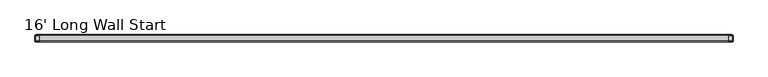
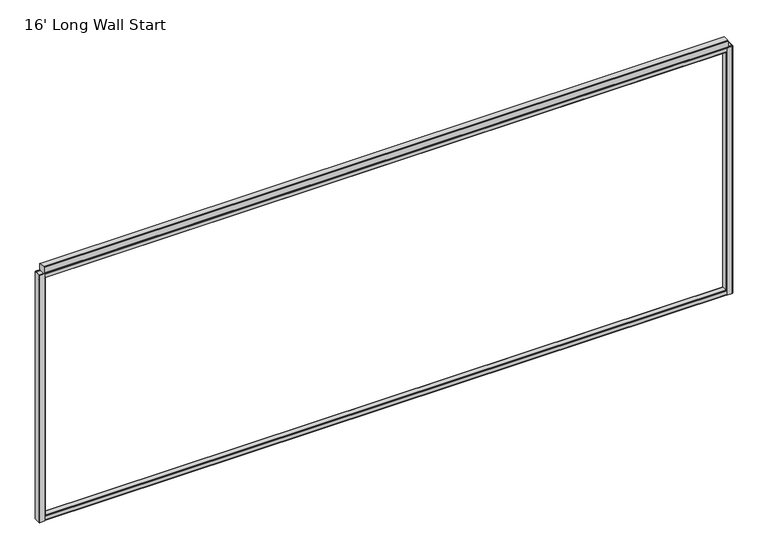
"""IFC4 building model written with IfcOpenShell, lengths in millimetres: furniture geometry, 16' Long Wall Start."""

import ifcopenshell
import ifcopenshell.guid

model = None  # the IFC model being written
_history = None  # IfcOwnerHistory: only IFC2X3 demands one
_inside = {}  # id of a spatial element -> (the spatial element, [elements in it])
_under = {}  # id of a project, library or spatial element -> (it, [spatial elements below it])
_declared = {}  # id of a project -> (the project, [libraries it declares])
_typed = {}  # id of a type object -> (the type object, [elements of that type])
_made_of = {}  # id of a material, layer set ... -> (it, [elements and type objects made of it])


def new_model(schema):
    """Start an empty IFC model of exactly this schema.

    Asked for "IFC4X3", IfcOpenShell would pick the latest addendum, in which some entities
    have other attributes; the version numbers below select the first issue.
    IFC2X3 requires an IfcOwnerHistory on every rooted entity: one is made here for all.
    """
    global model, _history
    if schema == "IFC4X3":
        model = ifcopenshell.file(schema_version=(4, 3, 0, 0))
    else:
        model = ifcopenshell.file(schema=schema)
    _inside.clear()
    _under.clear()
    _declared.clear()
    _typed.clear()
    _made_of.clear()
    _history = None
    if model.schema == "IFC2X3":
        org = make("IfcOrganization", Name="unknown")
        user = make(
            "IfcPersonAndOrganization",
            ThePerson=make("IfcPerson", FamilyName="unknown"),
            TheOrganization=org,
        )
        app = make(
            "IfcApplication",
            ApplicationDeveloper=org,
            Version="unknown",
            ApplicationFullName="unknown",
            ApplicationIdentifier="unknown",
        )
        _history = make(
            "IfcOwnerHistory",
            OwningUser=user,
            OwningApplication=app,
            ChangeAction="ADDED",
            CreationDate=0,
        )
    return model


def make(cls, **values):
    """One entity of the class cls with the attributes given. An attribute that is None is left unset."""
    return model.create_entity(
        cls, **{name: value for name, value in values.items() if value is not None}
    )


def rooted(cls, **values):
    """An entity with a GlobalId (a new one), such as an element, a storey or a relation."""
    return make(cls, GlobalId=ifcopenshell.guid.new(), OwnerHistory=_history, **values)


def si_unit(unit_type, name, prefix=None):
    """IfcSIUnit, for example si_unit("LENGTHUNIT", "METRE", prefix="MILLI")."""
    return make("IfcSIUnit", UnitType=unit_type, Prefix=prefix, Name=name)


def assignment(units):
    """IfcUnitAssignment: the units of a project."""
    return None if units is None else make("IfcUnitAssignment", Units=units)


def point(xyz):
    """IfcCartesianPoint."""
    return None if xyz is None else make("IfcCartesianPoint", Coordinates=xyz)


def direction(xyz):
    """IfcDirection."""
    return None if xyz is None else make("IfcDirection", DirectionRatios=xyz)


def frame(location, z_axis=None, x_axis=None):
    """IfcAxis2Placement3D, a coordinate frame: its origin and axes. An axis left out is left unset."""
    return make(
        "IfcAxis2Placement3D",
        Location=point(location),
        Axis=direction(z_axis),
        RefDirection=direction(x_axis),
    )


def origin():
    """The frame at (0, 0, 0) with its axes left unset."""
    return frame((0.0, 0.0, 0.0))


def place(relative_to, where):
    """IfcLocalPlacement: puts the frame where relative to a parent placement (None: the world)."""
    return make(
        "IfcLocalPlacement", PlacementRelTo=relative_to, RelativePlacement=where
    )


def context(
    kind, dimensions, precision=None, world=None, true_north=None, identifier=None
):
    """IfcGeometricRepresentationContext, for example the 3D "Model" context."""
    return make(
        "IfcGeometricRepresentationContext",
        ContextIdentifier=identifier,
        ContextType=kind,
        CoordinateSpaceDimension=dimensions,
        Precision=precision,
        WorldCoordinateSystem=world,
        TrueNorth=true_north,
    )


def project(units=None, contexts=None):
    """IfcProject with its units and contexts."""
    return rooted(
        "IfcProject",
        Name="project",
        RepresentationContexts=contexts,
        UnitsInContext=assignment(units),
    )


def spatial(cls, under=None, at=None, **own):
    """A site, building, storey or space (cls), placed at a placement, below another one or the project."""
    s = rooted(cls, ObjectPlacement=at, **own)
    if under is not None:
        _under.setdefault(under.id(), (under, []))[1].append(s)
    return s


def polyline(points):
    """IfcPolyline through the points."""
    return make("IfcPolyline", Points=[point(p) for p in points])


def outline(outer, holes=None, kind="AREA"):
    """IfcArbitraryClosedProfileDef: a profile drawn as a closed curve; with holes, ...WithVoids."""
    if holes is None:
        return make("IfcArbitraryClosedProfileDef", ProfileType=kind, OuterCurve=outer)
    return make(
        "IfcArbitraryProfileDefWithVoids",
        ProfileType=kind,
        OuterCurve=outer,
        InnerCurves=holes,
    )


def extrude(swept, where, along, depth):
    """IfcExtrudedAreaSolid: the profile swept, set in the frame where, extruded along a direction by depth."""
    return make(
        "IfcExtrudedAreaSolid",
        SweptArea=swept,
        Position=where,
        ExtrudedDirection=direction(along),
        Depth=depth,
    )


def faces_of(points, faces, orient=None, outer=None):
    """IfcFace entities. A face is a list of loops; a loop is a list of indices into points, from 0.

    orient and outer hold one flag for each loop. By default every Orientation is true, the
    first loop of a face is its IfcFaceOuterBound and the others are IfcFaceBound.
    """
    made = []
    for i, loops in enumerate(faces):
        bounds = []
        for j, loop in enumerate(loops):
            is_outer = j == 0 if outer is None else outer[i][j]
            bounds.append(
                make(
                    "IfcFaceOuterBound" if is_outer else "IfcFaceBound",
                    Bound=make("IfcPolyLoop", Polygon=[points[k] for k in loop]),
                    Orientation=True if orient is None else orient[i][j],
                )
            )
        made.append(make("IfcFace", Bounds=bounds))
    return made


def faceted_brep(points, faces, orient=None, outer=None, voids=None):
    """IfcFacetedBrep: a solid bounded by flat faces; with voids (closed shells), ...WithVoids."""
    shared = [point(p) for p in points]
    hull = make("IfcClosedShell", CfsFaces=faces_of(shared, faces, orient, outer))
    if voids is None:
        return make("IfcFacetedBrep", Outer=hull)
    return make(
        "IfcFacetedBrepWithVoids",
        Outer=hull,
        Voids=[
            make(cls, CfsFaces=faces_of(shared, fs, o, b)) for cls, fs, o, b in voids
        ],
    )


def shape(context_of_items, identifier, shape_type, items):
    """IfcShapeRepresentation: the items that make up one representation, for example the "Body"."""
    return make(
        "IfcShapeRepresentation",
        ContextOfItems=context_of_items,
        RepresentationIdentifier=identifier,
        RepresentationType=shape_type,
        Items=items,
    )


def source(mapping_origin, context_of_items, identifier, shape_type, items):
    """IfcRepresentationMap: a shape defined once, which mapped items show again and again."""
    return make(
        "IfcRepresentationMap",
        MappingOrigin=mapping_origin,
        MappedRepresentation=shape(context_of_items, identifier, shape_type, items),
    )


def transform(
    local_origin,
    x_axis=None,
    y_axis=None,
    z_axis=None,
    scale=None,
    scale2=None,
    scale3=None,
    uniform=True,
):
    """IfcCartesianTransformationOperator3D, or its non-uniform kind. x_axis, y_axis, z_axis: its Axis1, 2, 3."""
    if uniform:
        return make(
            "IfcCartesianTransformationOperator3D",
            Axis1=direction(x_axis),
            Axis2=direction(y_axis),
            LocalOrigin=point(local_origin),
            Scale=scale,
            Axis3=direction(z_axis),
        )
    return make(
        "IfcCartesianTransformationOperator3DnonUniform",
        Axis1=direction(x_axis),
        Axis2=direction(y_axis),
        LocalOrigin=point(local_origin),
        Scale=scale,
        Axis3=direction(z_axis),
        Scale2=scale2,
        Scale3=scale3,
    )


def mapped(mapping_source, mapping_target):
    """IfcMappedItem: shows the shape of a source again, moved by a transform."""
    return make(
        "IfcMappedItem", MappingSource=mapping_source, MappingTarget=mapping_target
    )


def made_of(thing, what):
    """Note that an element or type object is made of a material, layer set ...; save() writes the relation."""
    if what is not None:
        _made_of.setdefault(what.id(), (what, []))[1].append(thing)
    return thing


def element(
    cls,
    number,
    at=None,
    inside=None,
    cuts=None,
    type_object=None,
    material=None,
    context=None,
    identifier="Body",
    shape_type=None,
    held_by="IfcProductDefinitionShape",
    body=None,
    shapes=None,
    **own,
):
    """One element of the class cls, such as IfcWall. Its Tag is "e" and its number.

    at: its placement. inside: the storey or other place that contains it. cuts: it is an
    opening in that element (IfcRelVoidsElement). A single representation is given by context,
    identifier, shape_type and body (its items); several are given by shapes. held_by: the class
    of the entity that holds the representations. save() writes the other relations.
    """
    e = rooted(cls, Tag="e%d" % number, ObjectPlacement=at, **own)
    if body is not None:
        shapes = [shape(context, identifier, shape_type, body)]
    if shapes is not None:
        e.Representation = make(held_by, Representations=shapes)
    if inside is not None:
        _inside.setdefault(inside.id(), (inside, []))[1].append(e)
    if cuts is not None:
        rooted(
            "IfcRelVoidsElement", RelatingBuildingElement=cuts, RelatedOpeningElement=e
        )
    if type_object is not None:
        _typed.setdefault(type_object.id(), (type_object, []))[1].append(e)
    return made_of(e, material)


def aggregate(whole, parts):
    """IfcRelAggregates: a whole, such as a stair, and the parts it consists of."""
    return rooted("IfcRelAggregates", RelatingObject=whole, RelatedObjects=parts)


def save(model, path):
    """Write the relations noted so far, then the file.

    IfcRelAggregates (storeys below a building ...), IfcRelContainedInSpatialStructure (elements
    in a storey), IfcRelDefinesByType, IfcRelAssociatesMaterial and IfcRelDeclares: one each for
    every whole, place, type object, material and project.
    """
    for whole, parts in _under.values():
        aggregate(whole, parts)
    for where, things in _inside.values():
        rooted(
            "IfcRelContainedInSpatialStructure",
            RelatedElements=things,
            RelatingStructure=where,
        )
    for kind, things in _typed.values():
        rooted("IfcRelDefinesByType", RelatedObjects=things, RelatingType=kind)
    for what, things in _made_of.values():
        rooted("IfcRelAssociatesMaterial", RelatedObjects=things, RelatingMaterial=what)
    for by, libraries in _declared.values():
        rooted("IfcRelDeclares", RelatingContext=by, RelatedDefinitions=libraries)
    model.write(path)


def furniture_16_long_wall_start_468deccb(model_context):
    return source(origin(), model_context, "Body", "SolidModel", [
        faceted_brep([(39.9542, 25.4, 1940.56), (4.4958, 25.4, 1940.56), (1.3167893, 24.0832107, 1940.56), (0.0, 20.9042, 1940.56), (0.0, -20.9042, 1940.56), (1.3167893, -24.0832107, 1940.56), (4.4958, -25.4, 1940.56), (39.9542, -25.4, 1940.56), (39.9542, -23.1181008, 1940.56), (39.5348529, -23.2918, 1940.56), (4.9151471, -23.2918, 1940.56), (2.9303358, -22.4696642, 1940.56), (2.1082, -20.4848529, 1940.56), (2.1082, 20.4848529, 1940.56), (2.9303358, 22.4696642, 1940.56), (4.9151471, 23.2918, 1940.56), (39.5348529, 23.2918, 1940.56), (39.9542, 23.1181008, 1940.56), (39.9542, -25.4, 101.6), (4.4958, -25.4, 101.6), (1.3167893, -24.0832107, 101.6), (0.0, -20.9042, 101.6), (0.0, 20.9042, 101.6), (1.3167893, 24.0832107, 101.6), (4.4958, 25.4, 101.6), (39.9542, 25.4, 101.6), (39.9542, 23.1181008, 101.6), (39.5348529, 23.2918, 101.6), (4.9151471, 23.2918, 101.6), (2.9303358, 22.4696642, 101.6), (2.1082, 20.4848529, 101.6), (2.1082, -20.4848529, 101.6), (2.9303358, -22.4696642, 101.6), (4.9151471, -23.2918, 101.6), (39.5348529, -23.2918, 101.6), (39.9542, -23.1181008, 101.6), (44.45, 20.9042, 1905.635), (44.45, -20.9042, 1905.635), (44.45, -20.9042, 136.525), (44.45, 20.9042, 136.525), (39.9542, -25.4, 136.525), (39.9542, -25.4, 1905.635), (39.9542, 25.4, 1905.635), (39.9542, 25.4, 136.525), (43.1332107, 24.0832107, 1905.635), (43.1332107, 24.0832107, 136.525), (43.1332107, -24.0832107, 1905.635), (43.1332107, -24.0832107, 136.525), (42.3418, -20.4848529, 1905.635), (42.3418, 20.4848529, 1905.635), (42.3418, 20.4848529, 136.525), (42.3418, -20.4848529, 136.525), (41.5196642, 22.4696642, 1905.635), (41.5196642, 22.4696642, 136.525), (39.9542, 23.1181008, 136.525), (39.9542, 23.1181008, 1905.635), (39.9542, -23.1181008, 1905.635), (41.5196642, -22.4696642, 1905.635), (41.5196642, -22.4696642, 136.525), (39.9542, -23.1181008, 136.525)], [[[0, 1, 2, 3, 4, 5, 6, 7, 8, 9, 10, 11, 12, 13, 14, 15, 16, 17]], [[18, 19, 20, 21, 22, 23, 24, 25, 26, 27, 28, 29, 30, 31, 32, 33, 34, 35]], [[36, 37, 38, 39]], [[7, 6, 19, 18, 40, 41]], [[4, 3, 22, 21]], [[1, 0, 42, 43, 25, 24]], [[42, 44, 45, 43]], [[44, 36, 39, 45]], [[37, 46, 47, 38]], [[46, 41, 40, 47]], [[6, 5, 20, 19]], [[5, 4, 21, 20]], [[3, 2, 23, 22]], [[2, 1, 24, 23]], [[48, 49, 50, 51]], [[49, 52, 53, 50]], [[16, 27, 26, 54, 53, 52, 55, 17]], [[16, 15, 28, 27]], [[15, 14, 29, 28]], [[14, 13, 30, 29]], [[13, 12, 31, 30]], [[12, 11, 32, 31]], [[11, 10, 33, 32]], [[10, 9, 34, 33]], [[34, 9, 8, 56, 57, 58, 59, 35]], [[57, 48, 51, 58]], [[42, 55, 52, 49, 48, 57, 56, 41, 46, 37, 36, 44]], [[55, 42, 0, 17]], [[41, 56, 8, 7]], [[54, 43, 45, 39, 38, 47, 40, 59, 58, 51, 50, 53]], [[43, 54, 26, 25]], [[59, 40, 18, 35]]]),
        faceted_brep([(4836.8458, -25.4, 1940.56), (4872.3042, -25.4, 1940.56), (4875.4832107, -24.0832107, 1940.56), (4876.8, -20.9042, 1940.56), (4876.8, 20.9042, 1940.56), (4875.4832107, 24.0832107, 1940.56), (4872.3042, 25.4, 1940.56), (4836.8458, 25.4, 1940.56), (4836.8458, 23.1181008, 1940.56), (4837.2651471, 23.2918, 1940.56), (4871.8848529, 23.2918, 1940.56), (4873.8696642, 22.4696642, 1940.56), (4874.6918, 20.4848529, 1940.56), (4874.6918, -20.4848529, 1940.56), (4873.8696642, -22.4696642, 1940.56), (4871.8848529, -23.2918, 1940.56), (4837.2651471, -23.2918, 1940.56), (4836.8458, -23.1181008, 1940.56), (4836.8458, 25.4, 101.6), (4872.3042, 25.4, 101.6), (4875.4832107, 24.0832107, 101.6), (4876.8, 20.9042, 101.6), (4876.8, -20.9042, 101.6), (4875.4832107, -24.0832107, 101.6), (4872.3042, -25.4, 101.6), (4836.8458, -25.4, 101.6), (4836.8458, -23.1181008, 101.6), (4837.2651471, -23.2918, 101.6), (4871.8848529, -23.2918, 101.6), (4873.8696642, -22.4696642, 101.6), (4874.6918, -20.4848529, 101.6), (4874.6918, 20.4848529, 101.6), (4873.8696642, 22.4696642, 101.6), (4871.8848529, 23.2918, 101.6), (4837.2651471, 23.2918, 101.6), (4836.8458, 23.1181008, 101.6), (4832.35, -20.9042, 1905.635), (4832.35, 20.9042, 1905.635), (4832.35, 20.9042, 136.525), (4832.35, -20.9042, 136.525), (4836.8458, -25.4, 1905.635), (4836.8458, -25.4, 136.525), (4836.8458, 25.4, 136.525), (4836.8458, 25.4, 1905.635), (4833.6667893, 24.0832107, 1905.635), (4833.6667893, 24.0832107, 136.525), (4833.6667893, -24.0832107, 1905.635), (4833.6667893, -24.0832107, 136.525), (4834.4582, 20.4848529, 1905.635), (4834.4582, -20.4848529, 1905.635), (4834.4582, -20.4848529, 136.525), (4834.4582, 20.4848529, 136.525), (4835.2803358, 22.4696642, 1905.635), (4835.2803358, 22.4696642, 136.525), (4836.8458, 23.1181008, 1905.635), (4836.8458, 23.1181008, 136.525), (4836.8458, -23.1181008, 136.525), (4835.2803358, -22.4696642, 136.525), (4835.2803358, -22.4696642, 1905.635), (4836.8458, -23.1181008, 1905.635)], [[[0, 1, 2, 3, 4, 5, 6, 7, 8, 9, 10, 11, 12, 13, 14, 15, 16, 17]], [[18, 19, 20, 21, 22, 23, 24, 25, 26, 27, 28, 29, 30, 31, 32, 33, 34, 35]], [[36, 37, 38, 39]], [[1, 0, 40, 41, 25, 24]], [[4, 3, 22, 21]], [[7, 6, 19, 18, 42, 43]], [[44, 43, 42, 45]], [[37, 44, 45, 38]], [[46, 36, 39, 47]], [[40, 46, 47, 41]], [[2, 1, 24, 23]], [[3, 2, 23, 22]], [[5, 4, 21, 20]], [[6, 5, 20, 19]], [[48, 49, 50, 51]], [[52, 48, 51, 53]], [[34, 9, 8, 54, 52, 53, 55, 35]], [[10, 9, 34, 33]], [[11, 10, 33, 32]], [[12, 11, 32, 31]], [[13, 12, 31, 30]], [[14, 13, 30, 29]], [[15, 14, 29, 28]], [[16, 15, 28, 27]], [[16, 27, 26, 56, 57, 58, 59, 17]], [[49, 58, 57, 50]], [[54, 43, 44, 37, 36, 46, 40, 59, 58, 49, 48, 52]], [[43, 54, 8, 7]], [[59, 40, 0, 17]], [[42, 55, 53, 51, 50, 57, 56, 41, 47, 39, 38, 45]], [[55, 42, 18, 35]], [[41, 56, 26, 25]]]),
        extrude(outline(polyline([(-18.7325958, 101.6), (-21.884598, 102.905602), (-23.1902, 106.0576042), (-23.1902, 132.0673958), (-21.884598, 135.219398), (-18.7325958, 136.525), (18.7325958, 136.525), (21.884598, 135.219398), (23.1902, 132.0673958), (23.1902, 106.0576042), (21.884598, 102.905602), (18.7325958, 101.6), (-18.7325958, 101.6)]), holes=[polyline([(-18.3132488, 103.7082), (18.3132488, 103.7082), (20.2710515, 104.5191485), (21.082, 106.4769512), (21.082, 131.6480488), (20.2710515, 133.6058515), (18.3132488, 134.4168), (-18.3132488, 134.4168), (-20.2710515, 133.6058515), (-21.082, 131.6480488), (-21.082, 106.4769512), (-20.2710515, 104.5191485), (-18.3132488, 103.7082)])]), frame((2.1082, 0.0, 0.0), z_axis=(1.0, 0.0, 0.0), x_axis=(0.0, 1.0, 0.0)), (0.0, 0.0, 1.0), 4872.5836),
        extrude(outline(polyline([(-18.7325958, 1940.56), (18.7325958, 1940.56), (21.884598, 1939.254398), (23.1902, 1936.1023958), (23.1902, 1910.0926042), (21.884598, 1906.940602), (18.7325958, 1905.635), (-18.7325958, 1905.635), (-21.884598, 1906.940602), (-23.1902, 1910.0926042), (-23.1902, 1936.1023958), (-21.884598, 1939.254398), (-18.7325958, 1940.56)]), holes=[polyline([(-18.3132488, 1938.4518), (-20.2710515, 1937.6408515), (-21.082, 1935.6830488), (-21.082, 1910.5119512), (-20.2710515, 1908.5541485), (-18.3132488, 1907.7432), (18.3132488, 1907.7432), (20.2710515, 1908.5541485), (21.082, 1910.5119512), (21.082, 1935.6830488), (20.2710515, 1937.6408515), (18.3132488, 1938.4518), (-18.3132488, 1938.4518)])]), frame((2.1082, 0.0, 0.0), z_axis=(1.0, 0.0, 0.0), x_axis=(0.0, 1.0, 0.0)), (0.0, 0.0, 1.0), 4872.5836),
        extrude(outline(polyline([(19.908865, 1991.36), (25.4, 1985.868865), (25.4, 1946.051135), (19.908865, 1940.56), (-19.908865, 1940.56), (-25.4, 1946.051135), (-25.4, 1985.868865), (-19.908865, 1991.36), (19.908865, 1991.36)])), frame((34.5948, 0.0, 0.0), z_axis=(1.0, 0.0, 0.0), x_axis=(0.0, 1.0, 0.0)), (0.0, 0.0, 1.0), 4807.6104),
    ])


if __name__ == "__main__":
    model = new_model("IFC4")
    model_context = context("Model", 3, world=origin())
    ifc_project = project(units=[si_unit("LENGTHUNIT", "METRE", prefix="MILLI")], contexts=[model_context])
    site = spatial("IfcSite", under=ifc_project)
    building = spatial("IfcBuilding", under=site)
    placement = place(None, origin())
    furniture_16_long_wall_start_shape = furniture_16_long_wall_start_468deccb(model_context)
    element("IfcFurniture", 1, ObjectType="16' Long Wall Start", at=placement, inside=building, context=model_context, shape_type="MappedRepresentation", body=[
        mapped(furniture_16_long_wall_start_shape, transform((0.0, 0.0, 0.0), x_axis=(1.0, 0.0, 0.0), y_axis=(0.0, 1.0, 0.0), z_axis=(0.0, 0.0, 1.0))),
    ])
    save(model, "model.ifc")
